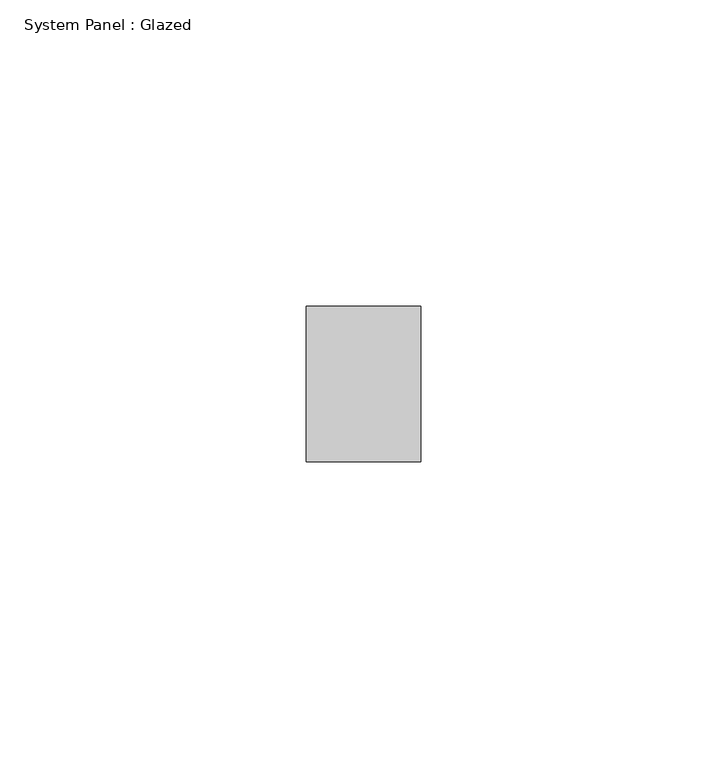
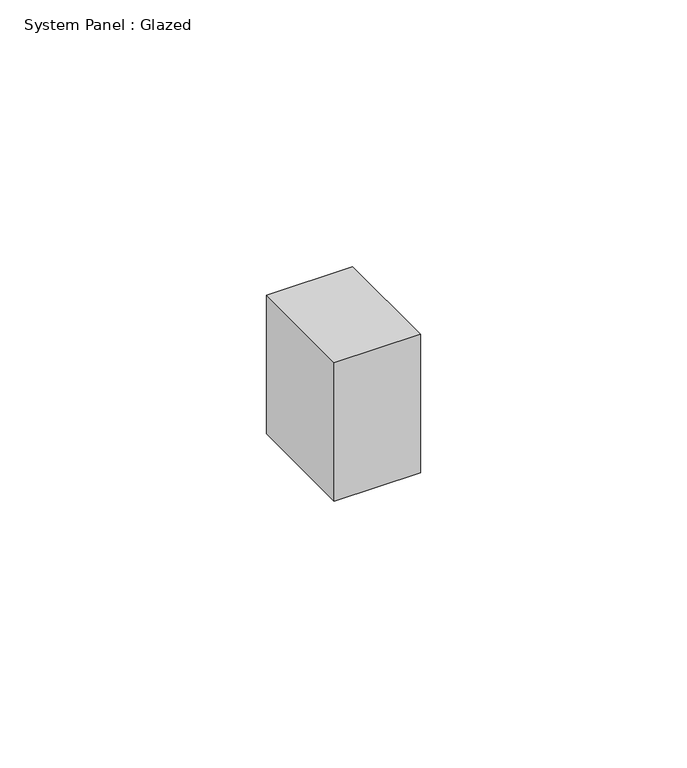
"""IFC4 building model written with IfcOpenShell, lengths in millimetres: plate geometry, System Panel : Glazed."""

from ifc_helpers import new_model, si_unit, origin, origin_with_axes, place, context, project, spatial, polyline, outline, extrude, source, transform, mapped, element, save


def system_panel_glazed_045d01fd(model_context):
    return source(origin(), model_context, "Body", "SweptSolid", [
        extrude(outline(polyline([(9.3362206, -12.7), (-9.3362206, -12.7), (-9.3362206, 12.7), (9.3362206, 12.7), (9.3362206, -12.7)])), origin_with_axes(), (0.0, 0.0, 1.0), 31.75),
    ])


if __name__ == "__main__":
    model = new_model("IFC4")
    model_context = context("Model", 3, world=origin())
    ifc_project = project(units=[si_unit("LENGTHUNIT", "METRE", prefix="MILLI")], contexts=[model_context])
    site = spatial("IfcSite", under=ifc_project)
    building = spatial("IfcBuilding", under=site)
    placement = place(None, origin())
    system_panel_glazed_shape = system_panel_glazed_045d01fd(model_context)
    element("IfcPlate", 1, ObjectType="System Panel : Glazed", at=placement, inside=building, context=model_context, shape_type="MappedRepresentation", body=[
        mapped(system_panel_glazed_shape, transform((0.0, 0.0, 0.0), x_axis=(1.0, 0.0, 0.0), y_axis=(0.0, 1.0, 0.0), z_axis=(0.0, 0.0, 1.0))),
    ])
    save(model, "model.ifc")
